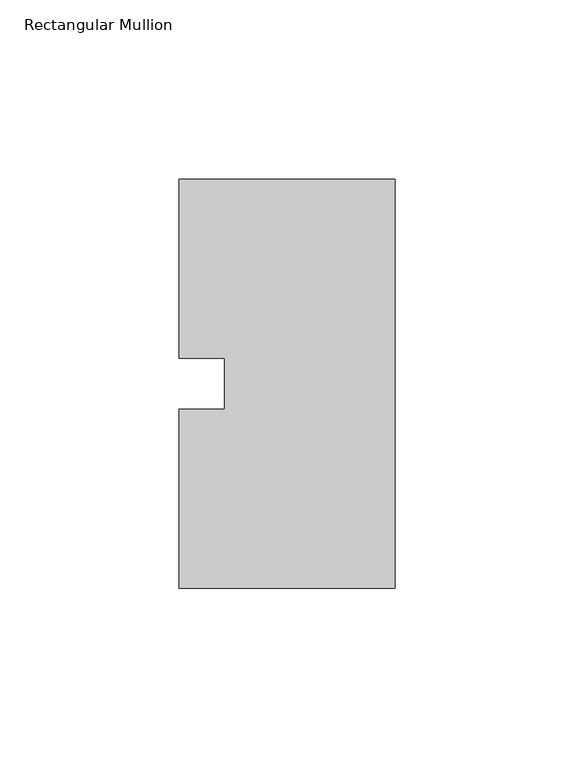
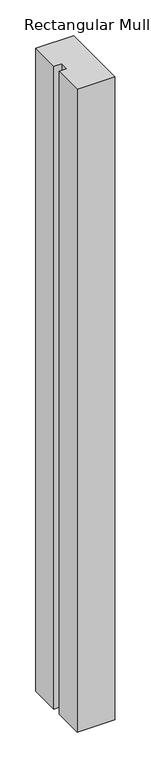
"""IFC4 building model written with IfcOpenShell, lengths in millimetres: member geometry, Rectangular Mullion."""

from ifc_helpers import new_model, si_unit, frame, origin, place, context, project, spatial, polyline, outline, extrude, source, transform, mapped, element, save


def rectangular_mullion_4e0ba57d(model_context):
    return source(origin(), model_context, "Body", "SweptSolid", [
        extrude(outline(polyline([(-60.325, 57.15), (0.0, 57.15), (0.0, -57.15), (-60.325, -57.15), (-60.325, -7.14375), (-47.6232296, -7.14375), (-47.6232296, 7.14375), (-60.325, 7.14375), (-60.325, 57.15)])), frame((0.0, 0.0, -1091.0405973), z_axis=(0.0, 0.0, 1.0), x_axis=(1.0, 0.0, 0.0)), (0.0, 0.0, 1.0), 1091.0405973),
    ])


if __name__ == "__main__":
    model = new_model("IFC4")
    model_context = context("Model", 3, world=origin())
    ifc_project = project(units=[si_unit("LENGTHUNIT", "METRE", prefix="MILLI")], contexts=[model_context])
    site = spatial("IfcSite", under=ifc_project)
    building = spatial("IfcBuilding", under=site)
    placement = place(None, origin())
    rectangular_mullion_shape = rectangular_mullion_4e0ba57d(model_context)
    element("IfcMember", 1, ObjectType="Rectangular Mullion", at=placement, inside=building, context=model_context, shape_type="MappedRepresentation", body=[
        mapped(rectangular_mullion_shape, transform((0.0, 0.0, 0.0), x_axis=(1.0, 0.0, 0.0), y_axis=(0.0, 1.0, 0.0), z_axis=(0.0, 0.0, 1.0))),
    ])
    save(model, "model.ifc")
